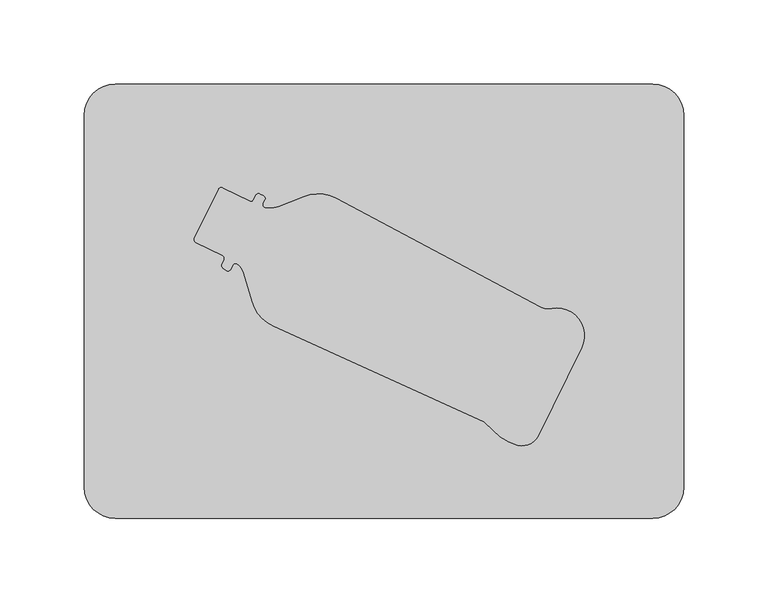
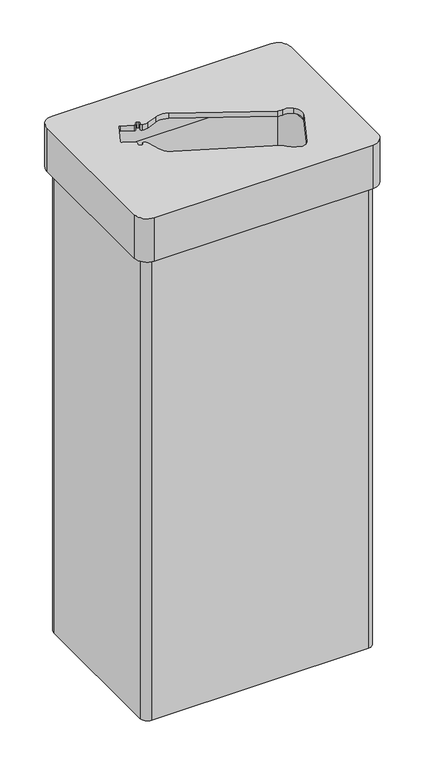
"""IFC4 building model written with IfcOpenShell, lengths in millimetres: furniture geometry."""

from ifc_helpers import new_model, si_unit, frame, origin, place, context, project, spatial, polyline, circle_curve, source, transform, mapped, element, save
from ifc_brep_helpers import plane_surface, cylinder_surface, revolved_surface, advanced_brep


def furniture_12d7f21f(model_context):
    return source(origin(), model_context, "Body", "AdvancedBrep", [
        advanced_brep(
        [(159.5, 129.0, 781.0), (-159.5, 129.0, 781.0), (-178.0, 110.5, 781.0), (-178.0, -110.5, 781.0), (-159.5, -129.0, 781.0), (159.5, -129.0, 781.0), (178.0, -110.5, 781.0), (178.0, 110.5, 781.0), (59.5843107, -71.6563973, 781.0), (-65.8931473, -14.6079938, 781.0), (-78.2521723, -0.2895037, 781.0), (-83.1803377, 16.6169973, 781.0), (-87.0044495, 22.1215762, 781.0), (-89.8301065, 21.5731394, 781.0), (-91.1059775, 18.9830206, 781.0), (-93.8036148, 18.3302183, 781.0), (-95.4113824, 19.5228809, 781.0), (-96.2339096, 21.9424259, 781.0), (-94.9243949, 24.6008441, 781.0), (-95.7469221, 27.020389, 781.0), (-111.7313977, 34.8942089, 781.0), (-112.5539249, 37.3137539, 781.0), (-98.1807647, 66.4924032, 781.0), (-95.7612197, 67.3149304, 781.0), (-79.776744, 59.4411105, 781.0), (-77.3571991, 60.2636377, 781.0), (-76.0476844, 62.9220559, 781.0), (-73.6281394, 63.744583, 781.0), (-71.5704661, 62.7309902, 781.0), (-70.7479389, 60.3114453, 781.0), (-71.8519965, 58.0701212, 781.0), (-70.5646552, 55.4956556, 781.0), (-62.5959675, 56.2532835, 781.0), (-47.4626798, 62.2155953, 781.0), (-28.5783978, 61.1438919, 781.0), (92.6808897, -3.330815, 781.0), (99.7648604, -4.4150109, 781.0), (113.5191292, -8.209037, 781.0), (117.3449783, -27.5875375, 781.0), (91.5026253, -80.049553, 781.0), (79.4158996, -85.5472068, 781.0), (64.8157204, -76.6560157, 781.0), (159.5, 110.5, 773.0), (159.5, -110.5, 773.0), (-159.5, -110.5, 773.0), (-159.5, 110.5, 773.0), (59.5843107, -71.6563973, 773.0), (64.8157204, -76.6560157, 773.0), (79.4158996, -85.5472068, 773.0), (91.5026253, -80.049553, 773.0), (117.3449783, -27.5875375, 773.0), (113.5191292, -8.209037, 773.0), (99.7648604, -4.4150109, 773.0), (92.6808897, -3.330815, 773.0), (-28.5783978, 61.1438919, 773.0), (-47.4626798, 62.2155953, 773.0), (-62.5959675, 56.2532835, 773.0), (-70.5646552, 55.4956556, 773.0), (-71.8519965, 58.0701212, 773.0), (-70.7479389, 60.3114453, 773.0), (-71.5704661, 62.7309902, 773.0), (-73.6281394, 63.744583, 773.0), (-76.0476844, 62.9220559, 773.0), (-77.3571991, 60.2636377, 773.0), (-79.776744, 59.4411105, 773.0), (-95.7612197, 67.3149304, 773.0), (-98.1807647, 66.4924032, 773.0), (-112.5539249, 37.3137539, 773.0), (-111.7313977, 34.8942089, 773.0), (-95.7469221, 27.020389, 773.0), (-94.9243949, 24.6008441, 773.0), (-96.2339096, 21.9424259, 773.0), (-95.4113824, 19.5228809, 773.0), (-93.8036148, 18.3302183, 773.0), (-91.1059775, 18.9830206, 773.0), (-89.8301065, 21.5731394, 773.0), (-87.0044495, 22.1215762, 773.0), (-83.1803377, 16.6169973, 773.0), (-78.2521723, -0.2895037, 773.0), (-65.8931473, -14.6079938, 773.0), (159.5, 129.0, 714.0), (178.0, 110.5, 714.0), (178.0, -110.5, 714.0), (159.5, -129.0, 714.0), (-159.5, -129.0, 714.0), (-178.0, -110.5, 714.0), (-178.0, 110.5, 714.0), (-159.5, 129.0, 714.0), (159.5, 110.5, 714.0), (-159.5, 110.5, 714.0), (-159.5, -110.5, 714.0), (159.5, -110.5, 714.0)],
        [
            (0, 1),
            (1, 2, circle_curve(frame((-159.5, 110.5, 781.0), z_axis=(0.0, 0.0, 1.0), x_axis=(1.0, 0.0, 0.0)), 18.5)),
            (2, 3),
            (3, 4, circle_curve(frame((-159.5, -110.5, 781.0), z_axis=(0.0, 0.0, 1.0), x_axis=(1.0, 0.0, 0.0)), 18.5)),
            (4, 5),
            (5, 6, circle_curve(frame((159.5, -110.5, 781.0), z_axis=(0.0, 0.0, 1.0), x_axis=(1.0, 0.0, 0.0)), 18.5)),
            (6, 7),
            (7, 0, circle_curve(frame((159.5, 110.5, 781.0), z_axis=(0.0, 0.0, 1.0), x_axis=(1.0, 0.0, 0.0)), 18.5)),
            (8, 9),
            (9, 10, circle_curve(frame((-56.5444017, 5.9544893, 781.0), z_axis=(0.0, 0.0, -1.0), x_axis=(1.0, 0.0, 0.0)), 22.5879338)),
            (10, 11),
            (11, 12, circle_curve(frame((-93.398379, 13.5989968, 781.0), z_axis=(0.0, 0.0, 1.0), x_axis=(1.0, 0.0, 0.0)), 10.6544214)),
            (12, 13, circle_curve(frame((-88.1691769, 20.5690908, 781.0), z_axis=(0.0, 0.0, 1.0), x_axis=(1.0, 0.0, 0.0)), 1.9408247)),
            (13, 14),
            (14, 15, circle_curve(frame((-92.7270136, 19.7815295, 781.0), z_axis=(0.0, 0.0, -1.0), x_axis=(1.0, 0.0, 0.0)), 1.8070347)),
            (15, 16),
            (16, 17, circle_curve(frame((-94.0726412, 21.3275696, 781.0), z_axis=(0.0, 0.0, -1.0), x_axis=(1.0, 0.0, 0.0)), 2.2470268)),
            (17, 18),
            (18, 19, circle_curve(frame((-96.545431, 25.399353, 781.0), z_axis=(0.0, 0.0, 1.0), x_axis=(1.0, 0.0, 0.0)), 1.8070347)),
            (19, 20),
            (20, 21, circle_curve(frame((-110.9328888, 36.515245, 781.0), z_axis=(0.0, 0.0, -1.0), x_axis=(1.0, 0.0, 0.0)), 1.8070347)),
            (21, 22),
            (22, 23, circle_curve(frame((-96.5597286, 65.6938943, 781.0), z_axis=(0.0, 0.0, -1.0), x_axis=(1.0, 0.0, 0.0)), 1.8070347)),
            (23, 24),
            (24, 25, circle_curve(frame((-78.9782351, 61.0621466, 781.0), z_axis=(0.0, 0.0, 1.0), x_axis=(1.0, 0.0, 0.0)), 1.8070347)),
            (25, 26),
            (26, 27, circle_curve(frame((-74.4266483, 62.1235469, 781.0), z_axis=(0.0, 0.0, -1.0), x_axis=(1.0, 0.0, 0.0)), 1.8070347)),
            (27, 28),
            (28, 29, circle_curve(frame((-72.368975, 61.1099542, 781.0), z_axis=(0.0, 0.0, -1.0), x_axis=(1.0, 0.0, 0.0)), 1.8070347)),
            (29, 30),
            (30, 31, circle_curve(frame((-70.2309604, 57.2716123, 781.0), z_axis=(0.0, 0.0, 1.0), x_axis=(1.0, 0.0, 0.0)), 1.8070347)),
            (31, 32, circle_curve(frame((-67.8950968, 69.7033092, 781.0), z_axis=(0.0, 0.0, 1.0), x_axis=(1.0, 0.0, 0.0)), 14.4562776)),
            (32, 33),
            (33, 34, circle_curve(frame((-39.1827904, 41.1999301, 781.0), z_axis=(0.0, 0.0, -1.0), x_axis=(1.0, 0.0, 0.0)), 22.5879338)),
            (34, 35),
            (35, 36, circle_curve(frame((97.7709982, 6.2422867, 781.0), z_axis=(0.0, 0.0, 1.0), x_axis=(1.0, 0.0, 0.0)), 10.8422082)),
            (36, 37, circle_curve(frame((102.7556536, -20.4009574, 781.0), z_axis=(0.0, 0.0, -1.0), x_axis=(1.0, 0.0, 0.0)), 16.2633123)),
            (37, 38, circle_curve(frame((102.7556536, -20.4009574, 781.0), z_axis=(0.0, 0.0, -1.0), x_axis=(1.0, 0.0, 0.0)), 16.2633123)),
            (38, 39),
            (39, 40, circle_curve(frame((82.0352719, -75.2706533, 781.0), z_axis=(0.0, 0.0, -1.0), x_axis=(1.0, 0.0, 0.0)), 10.6051244)),
            (40, 41, circle_curve(frame((86.6195994, -57.2850133, 781.0), z_axis=(0.0, 0.0, -1.0), x_axis=(1.0, 0.0, 0.0)), 29.1658169)),
            (41, 8, circle_curve(frame((31.6593098, -106.1128343, 781.0), z_axis=(0.0, 0.0, 1.0), x_axis=(1.0, 0.0, 0.0)), 44.3514569)),
            (42, 43),
            (43, 44),
            (44, 45),
            (45, 42),
            (46, 47, circle_curve(frame((31.6593098, -106.1128343, 773.0), z_axis=(0.0, 0.0, -1.0), x_axis=(1.0, 0.0, 0.0)), 44.3514569)),
            (47, 48, circle_curve(frame((86.6195994, -57.2850133, 773.0), z_axis=(0.0, 0.0, 1.0), x_axis=(1.0, 0.0, 0.0)), 29.1658169)),
            (48, 49, circle_curve(frame((82.0352719, -75.2706533, 773.0), z_axis=(0.0, 0.0, 1.0), x_axis=(1.0, 0.0, 0.0)), 10.6051244)),
            (49, 50),
            (50, 51, circle_curve(frame((102.7556536, -20.4009574, 773.0), z_axis=(0.0, 0.0, 1.0), x_axis=(1.0, 0.0, 0.0)), 16.2633123)),
            (51, 52, circle_curve(frame((102.7556536, -20.4009574, 773.0), z_axis=(0.0, 0.0, 1.0), x_axis=(1.0, 0.0, 0.0)), 16.2633123)),
            (52, 53, circle_curve(frame((97.7709982, 6.2422867, 773.0), z_axis=(0.0, 0.0, -1.0), x_axis=(1.0, 0.0, 0.0)), 10.8422082)),
            (53, 54),
            (54, 55, circle_curve(frame((-39.1827904, 41.1999301, 773.0), z_axis=(0.0, 0.0, 1.0), x_axis=(1.0, 0.0, 0.0)), 22.5879338)),
            (55, 56),
            (56, 57, circle_curve(frame((-67.8950968, 69.7033092, 773.0), z_axis=(0.0, 0.0, -1.0), x_axis=(1.0, 0.0, 0.0)), 14.4562776)),
            (57, 58, circle_curve(frame((-70.2309604, 57.2716123, 773.0), z_axis=(0.0, 0.0, -1.0), x_axis=(1.0, 0.0, 0.0)), 1.8070347)),
            (58, 59),
            (59, 60, circle_curve(frame((-72.368975, 61.1099542, 773.0), z_axis=(0.0, 0.0, 1.0), x_axis=(1.0, 0.0, 0.0)), 1.8070347)),
            (60, 61),
            (61, 62, circle_curve(frame((-74.4266483, 62.1235469, 773.0), z_axis=(0.0, 0.0, 1.0), x_axis=(1.0, 0.0, 0.0)), 1.8070347)),
            (62, 63),
            (63, 64, circle_curve(frame((-78.9782351, 61.0621466, 773.0), z_axis=(0.0, 0.0, -1.0), x_axis=(1.0, 0.0, 0.0)), 1.8070347)),
            (64, 65),
            (65, 66, circle_curve(frame((-96.5597286, 65.6938943, 773.0), z_axis=(0.0, 0.0, 1.0), x_axis=(1.0, 0.0, 0.0)), 1.8070347)),
            (66, 67),
            (67, 68, circle_curve(frame((-110.9328888, 36.515245, 773.0), z_axis=(0.0, 0.0, 1.0), x_axis=(1.0, 0.0, 0.0)), 1.8070347)),
            (68, 69),
            (69, 70, circle_curve(frame((-96.545431, 25.399353, 773.0), z_axis=(0.0, 0.0, -1.0), x_axis=(1.0, 0.0, 0.0)), 1.8070347)),
            (70, 71),
            (71, 72, circle_curve(frame((-94.0726412, 21.3275696, 773.0), z_axis=(0.0, 0.0, 1.0), x_axis=(1.0, 0.0, 0.0)), 2.2470268)),
            (72, 73),
            (73, 74, circle_curve(frame((-92.7270136, 19.7815295, 773.0), z_axis=(0.0, 0.0, 1.0), x_axis=(1.0, 0.0, 0.0)), 1.8070347)),
            (74, 75),
            (75, 76, circle_curve(frame((-88.1691769, 20.5690908, 773.0), z_axis=(0.0, 0.0, -1.0), x_axis=(1.0, 0.0, 0.0)), 1.9408247)),
            (76, 77, circle_curve(frame((-93.398379, 13.5989968, 773.0), z_axis=(0.0, 0.0, -1.0), x_axis=(1.0, 0.0, 0.0)), 10.6544214)),
            (77, 78),
            (78, 79, circle_curve(frame((-56.5444017, 5.9544893, 773.0), z_axis=(0.0, 0.0, 1.0), x_axis=(1.0, 0.0, 0.0)), 22.5879338)),
            (79, 46),
            (8, 46),
            (79, 9),
            (78, 10),
            (77, 11),
            (76, 12),
            (75, 13),
            (74, 14),
            (73, 15),
            (72, 16),
            (71, 17),
            (70, 18),
            (69, 19),
            (68, 20),
            (67, 21),
            (66, 22),
            (65, 23),
            (64, 24),
            (63, 25),
            (62, 26),
            (61, 27),
            (60, 28),
            (59, 29),
            (58, 30),
            (57, 31),
            (56, 32),
            (55, 33),
            (54, 34),
            (53, 35),
            (52, 36),
            (51, 37),
            (50, 38),
            (49, 39),
            (48, 40),
            (47, 41),
            (80, 81, circle_curve(frame((159.5, 110.5, 714.0), z_axis=(0.0, 0.0, -1.0), x_axis=(1.0, 0.0, 0.0)), 18.5)),
            (81, 82),
            (82, 83, circle_curve(frame((159.5, -110.5, 714.0), z_axis=(0.0, 0.0, -1.0), x_axis=(1.0, 0.0, 0.0)), 18.5)),
            (83, 84),
            (84, 85, circle_curve(frame((-159.5, -110.5, 714.0), z_axis=(0.0, 0.0, -1.0), x_axis=(1.0, 0.0, 0.0)), 18.5)),
            (85, 86),
            (86, 87, circle_curve(frame((-159.5, 110.5, 714.0), z_axis=(0.0, 0.0, -1.0), x_axis=(1.0, 0.0, 0.0)), 18.5)),
            (87, 80),
            (88, 89),
            (89, 90),
            (90, 91),
            (91, 88),
            (0, 80),
            (87, 1),
            (86, 2),
            (85, 3),
            (84, 4),
            (83, 5),
            (82, 6),
            (81, 7),
            (91, 43),
            (42, 88),
            (90, 44),
            (89, 45),
        ],
        [
            plane_surface(frame((-159.5, 110.5, 781.0), z_axis=(0.0, 0.0, 1.0), x_axis=(-1.0, 0.0, 0.0))),
            plane_surface(frame((-159.5, 110.5, 773.0), z_axis=(0.0, 0.0, -1.0), x_axis=(1.0, 0.0, 0.0))),
            plane_surface(frame((59.5843107, -71.6563973, 781.0), z_axis=(0.4138822819471082, 0.9103304107247294, 0.0), x_axis=(0.0, 0.0, -1.0))),
            revolved_surface(polyline([(-33.95646790000001, 5.9544893, 773.0), (-33.95646790000001, 5.9544893, 781.0)]), (-56.5444017, 5.9544893, 781.0), (0.0, 0.0, -1.0)),
            plane_surface(frame((-78.2521723, -0.2895037, 781.0), z_axis=(0.9600442129377379, 0.2798483682367282, 0.0), x_axis=(0.0, 0.0, -1.0))),
            cylinder_surface(frame((-93.398379, 13.5989968, 781.0), z_axis=(0.0, 0.0, 1.0), x_axis=(1.0, 0.0, 0.0)), 10.6544214),
            cylinder_surface(frame((-88.1691769, 20.5690908, 781.0), z_axis=(0.0, 0.0, 1.0), x_axis=(1.0, 0.0, 0.0)), 1.9408247),
            plane_surface(frame((-89.8301065, 21.5731394, 781.0), z_axis=(-0.8970696971642269, 0.4418890793283789, 0.0), x_axis=(0.0, 0.0, -1.0))),
            revolved_surface(polyline([(-90.9199789, 19.7815295, 773.0), (-90.9199789, 19.7815295, 781.0)]), (-92.7270136, 19.7815295, 781.0), (0.0, 0.0, -1.0)),
            plane_surface(frame((-93.8036148, 18.3302183, 781.0), z_axis=(0.5957833818075574, 0.8031451686724825, 0.0), x_axis=(0.0, 0.0, -1.0))),
            revolved_surface(polyline([(-91.8256144, 21.3275696, 773.0), (-91.8256144, 21.3275696, 781.0)]), (-94.0726412, 21.3275696, 781.0), (0.0, 0.0, -1.0)),
            plane_surface(frame((-96.2339096, 21.9424259, 781.0), z_axis=(0.8970696971642791, -0.4418890793282728, 0.0), x_axis=(0.0, 0.0, -1.0))),
            cylinder_surface(frame((-96.545431, 25.399353, 781.0), z_axis=(0.0, 0.0, 1.0), x_axis=(1.0, 0.0, 0.0)), 1.8070347),
            plane_surface(frame((-95.7469221, 27.020389, 781.0), z_axis=(0.44188907932840954, 0.8970696971642118, 0.0), x_axis=(0.0, 0.0, -1.0))),
            revolved_surface(polyline([(-109.1258541, 36.515245, 773.0), (-109.1258541, 36.515245, 781.0)]), (-110.9328888, 36.515245, 781.0), (0.0, 0.0, -1.0)),
            plane_surface(frame((-112.5539249, 37.3137539, 781.0), z_axis=(0.8970696971642161, -0.44188907932840077, 0.0), x_axis=(0.0, 0.0, -1.0))),
            revolved_surface(polyline([(-94.7526939, 65.6938943, 773.0), (-94.7526939, 65.6938943, 781.0)]), (-96.5597286, 65.6938943, 781.0), (0.0, 0.0, -1.0)),
            plane_surface(frame((-95.7612197, 67.3149304, 781.0), z_axis=(-0.44188907932834004, -0.897069697164246, 0.0), x_axis=(0.0, 0.0, -1.0))),
            cylinder_surface(frame((-78.9782351, 61.0621466, 781.0), z_axis=(0.0, 0.0, 1.0), x_axis=(1.0, 0.0, 0.0)), 1.8070347),
            plane_surface(frame((-77.3571991, 60.2636377, 781.0), z_axis=(0.8970696971641466, -0.44188907932854193, 0.0), x_axis=(0.0, 0.0, -1.0))),
            revolved_surface(polyline([(-72.6196136, 62.1235469, 773.0), (-72.6196136, 62.1235469, 781.0)]), (-74.4266483, 62.1235469, 781.0), (0.0, 0.0, -1.0)),
            plane_surface(frame((-73.6281394, 63.744583, 781.0), z_axis=(-0.4418890793284627, -0.8970696971641856, 0.0), x_axis=(0.0, 0.0, -1.0))),
            revolved_surface(polyline([(-70.5619403, 61.1099542, 773.0), (-70.5619403, 61.1099542, 781.0)]), (-72.368975, 61.1099542, 781.0), (0.0, 0.0, -1.0)),
            plane_surface(frame((-70.7479389, 60.3114453, 781.0), z_axis=(-0.8970696971640728, 0.4418890793286916, 0.0), x_axis=(0.0, 0.0, -1.0))),
            cylinder_surface(frame((-70.2309604, 57.2716123, 781.0), z_axis=(0.0, 0.0, 1.0), x_axis=(1.0, 0.0, 0.0)), 1.8070347),
            cylinder_surface(frame((-67.8950968, 69.7033092, 781.0), z_axis=(0.0, 0.0, 1.0), x_axis=(1.0, 0.0, 0.0)), 14.4562776),
            plane_surface(frame((-62.5959675, 56.2532835, 781.0), z_axis=(0.36656250054193773, -0.9303934292526157, 0.0), x_axis=(0.0, 0.0, -1.0))),
            revolved_surface(polyline([(-16.594856600000004, 41.1999301, 773.0), (-16.594856600000004, 41.1999301, 781.0)]), (-39.1827904, 41.1999301, 781.0), (0.0, 0.0, -1.0)),
            plane_surface(frame((-28.5783978, 61.1438919, 781.0), z_axis=(-0.46947156278589525, -0.8829475928589245, 0.0), x_axis=(0.0, 0.0, -1.0))),
            cylinder_surface(frame((97.7709982, 6.2422867, 781.0), z_axis=(0.0, 0.0, 1.0), x_axis=(1.0, 0.0, 0.0)), 10.8422082),
            revolved_surface(polyline([(119.0189659, -20.4009574, 773.0), (119.0189659, -20.4009574, 781.0)]), (102.7556536, -20.4009574, 781.0), (0.0, 0.0, -1.0)),
            plane_surface(frame((117.3449783, -27.5875375, 781.0), z_axis=(-0.8970696971642149, 0.4418890793284032, 0.0), x_axis=(0.0, 0.0, -1.0))),
            revolved_surface(polyline([(92.64039629999999, -75.2706533, 773.0), (92.64039629999999, -75.2706533, 781.0)]), (82.0352719, -75.2706533, 781.0), (0.0, 0.0, -1.0)),
            revolved_surface(polyline([(115.7854163, -57.2850133, 773.0), (115.7854163, -57.2850133, 781.0)]), (86.6195994, -57.2850133, 781.0), (0.0, 0.0, -1.0)),
            cylinder_surface(frame((31.6593098, -106.1128343, 781.0), z_axis=(0.0, 0.0, 1.0), x_axis=(1.0, 0.0, 0.0)), 44.3514569),
            plane_surface(frame((-159.5, 129.0, 714.0), z_axis=(0.0, 0.0, -1.0), x_axis=(1.0, 0.0, 0.0))),
            plane_surface(frame((159.5, 129.0, 781.0), z_axis=(0.0, 1.0, 0.0), x_axis=(0.0, 0.0, -1.0))),
            cylinder_surface(frame((-159.5, 110.5, 714.0), z_axis=(0.0, 0.0, 1.0), x_axis=(1.0, 0.0, 0.0)), 18.5),
            plane_surface(frame((-178.0, 110.5, 781.0), z_axis=(-1.0, 0.0, 0.0), x_axis=(0.0, 0.0, -1.0))),
            cylinder_surface(frame((-159.5, -110.5, 714.0), z_axis=(0.0, 0.0, 1.0), x_axis=(1.0, 0.0, 0.0)), 18.5),
            plane_surface(frame((-159.5, -129.0, 781.0), z_axis=(0.0, -1.0, 0.0), x_axis=(0.0, 0.0, -1.0))),
            cylinder_surface(frame((159.5, -110.5, 714.0), z_axis=(0.0, 0.0, 1.0), x_axis=(1.0, 0.0, 0.0)), 18.5),
            plane_surface(frame((178.0, -110.5, 781.0), z_axis=(1.0, 0.0, 0.0), x_axis=(0.0, 0.0, -1.0))),
            cylinder_surface(frame((159.5, 110.5, 714.0), z_axis=(0.0, 0.0, 1.0), x_axis=(1.0, 0.0, 0.0)), 18.5),
            plane_surface(frame((159.5, 110.5, 781.0), z_axis=(-1.0, 0.0, 0.0), x_axis=(0.0, 0.0, -1.0))),
            plane_surface(frame((159.5, -110.5, 781.0), z_axis=(0.0, 1.0, 0.0), x_axis=(0.0, 0.0, -1.0))),
            plane_surface(frame((-159.5, -110.5, 781.0), z_axis=(1.0, 0.0, 0.0), x_axis=(0.0, 0.0, -1.0))),
            plane_surface(frame((-159.5, 110.5, 781.0), z_axis=(0.0, -1.0, 0.0), x_axis=(0.0, 0.0, -1.0))),
        ],
        [
            (0, [[1, 2, 3, 4, 5, 6, 7, 8], [9, 10, 11, 12, 13, 14, 15, 16, 17, 18, 19, 20, 21, 22, 23, 24, 25, 26, 27, 28, 29, 30, 31, 32, 33, 34, 35, 36, 37, 38, 39, 40, 41, 42]]),
            (1, [[43, 44, 45, 46], [47, 48, 49, 50, 51, 52, 53, 54, 55, 56, 57, 58, 59, 60, 61, 62, 63, 64, 65, 66, 67, 68, 69, 70, 71, 72, 73, 74, 75, 76, 77, 78, 79, 80]]),
            (2, [[-9, 81, -80, 82]]),
            (3, [[-10, -82, -79, 83]]),
            (4, [[-11, -83, -78, 84]]),
            (5, [[-12, -84, -77, 85]]),
            (6, [[-13, -85, -76, 86]]),
            (7, [[-14, -86, -75, 87]]),
            (8, [[-15, -87, -74, 88]]),
            (9, [[-16, -88, -73, 89]]),
            (10, [[-17, -89, -72, 90]]),
            (11, [[-18, -90, -71, 91]]),
            (12, [[-19, -91, -70, 92]]),
            (13, [[-20, -92, -69, 93]]),
            (14, [[-21, -93, -68, 94]]),
            (15, [[-22, -94, -67, 95]]),
            (16, [[-23, -95, -66, 96]]),
            (17, [[-24, -96, -65, 97]]),
            (18, [[-25, -97, -64, 98]]),
            (19, [[-26, -98, -63, 99]]),
            (20, [[-27, -99, -62, 100]]),
            (21, [[-28, -100, -61, 101]]),
            (22, [[-29, -101, -60, 102]]),
            (23, [[-30, -102, -59, 103]]),
            (24, [[-31, -103, -58, 104]]),
            (25, [[-32, -104, -57, 105]]),
            (26, [[-33, -105, -56, 106]]),
            (27, [[-34, -106, -55, 107]]),
            (28, [[-35, -107, -54, 108]]),
            (29, [[-36, -108, -53, 109]]),
            (30, [[-37, -109, -52, 110]]),
            (30, [[-38, -110, -51, 111]]),
            (31, [[-39, -111, -50, 112]]),
            (32, [[-40, -112, -49, 113]]),
            (33, [[-41, -113, -48, 114]]),
            (34, [[-42, -114, -47, -81]]),
            (35, [[115, 116, 117, 118, 119, 120, 121, 122], [123, 124, 125, 126]]),
            (36, [[-1, 127, -122, 128]]),
            (37, [[-2, -128, -121, 129]]),
            (38, [[-3, -129, -120, 130]]),
            (39, [[-4, -130, -119, 131]]),
            (40, [[-5, -131, -118, 132]]),
            (41, [[-6, -132, -117, 133]]),
            (42, [[-7, -133, -116, 134]]),
            (43, [[-8, -134, -115, -127]]),
            (44, [[-126, 135, -43, 136]]),
            (45, [[-125, 137, -44, -135]]),
            (46, [[-124, 138, -45, -137]]),
            (47, [[-123, -136, -46, -138]]),
        ],
    ),
        advanced_brep(
        [(159.5, -110.5, 8.0), (159.5, 110.5, 8.0), (-159.5, 110.5, 8.0), (-159.5, -110.5, 8.0), (158.25, 119.75, 0.0), (168.75, 109.25, 0.0), (168.75, -109.25, 0.0), (158.25, -119.75, 0.0), (-158.25, -119.75, 0.0), (-168.75, -109.25, 0.0), (-168.75, 109.25, 0.0), (-158.25, 119.75, 0.0), (158.25, 119.75, 714.0), (-158.25, 119.75, 714.0), (-168.75, 109.25, 714.0), (-168.75, -109.25, 714.0), (-158.25, -119.75, 714.0), (158.25, -119.75, 714.0), (168.75, -109.25, 714.0), (168.75, 109.25, 714.0), (159.5, 110.5, 714.0), (159.5, -110.5, 714.0), (-159.5, -110.5, 714.0), (-159.5, 110.5, 714.0)],
        [
            (0, 1),
            (1, 2),
            (2, 3),
            (3, 0),
            (4, 5, circle_curve(frame((158.25, 109.25, 0.0), z_axis=(0.0, 0.0, -1.0), x_axis=(1.0, 0.0, 0.0)), 10.5)),
            (5, 6),
            (6, 7, circle_curve(frame((158.25, -109.25, 0.0), z_axis=(0.0, 0.0, -1.0), x_axis=(1.0, 0.0, 0.0)), 10.5)),
            (7, 8),
            (8, 9, circle_curve(frame((-158.25, -109.25, 0.0), z_axis=(0.0, 0.0, -1.0), x_axis=(1.0, 0.0, 0.0)), 10.5)),
            (9, 10),
            (10, 11, circle_curve(frame((-158.25, 109.25, 0.0), z_axis=(0.0, 0.0, -1.0), x_axis=(1.0, 0.0, 0.0)), 10.5)),
            (11, 4),
            (12, 13),
            (13, 14, circle_curve(frame((-158.25, 109.25, 714.0), z_axis=(0.0, 0.0, 1.0), x_axis=(1.0, 0.0, 0.0)), 10.5)),
            (14, 15),
            (15, 16, circle_curve(frame((-158.25, -109.25, 714.0), z_axis=(0.0, 0.0, 1.0), x_axis=(1.0, 0.0, 0.0)), 10.5)),
            (16, 17),
            (17, 18, circle_curve(frame((158.25, -109.25, 714.0), z_axis=(0.0, 0.0, 1.0), x_axis=(1.0, 0.0, 0.0)), 10.5)),
            (18, 19),
            (19, 12, circle_curve(frame((158.25, 109.25, 714.0), z_axis=(0.0, 0.0, 1.0), x_axis=(1.0, 0.0, 0.0)), 10.5)),
            (20, 21),
            (21, 22),
            (22, 23),
            (23, 20),
            (20, 1),
            (0, 21),
            (3, 22),
            (2, 23),
            (12, 4),
            (11, 13),
            (10, 14),
            (9, 15),
            (8, 16),
            (7, 17),
            (6, 18),
            (5, 19),
        ],
        [
            plane_surface(frame((-159.5, 110.5, 8.0), z_axis=(0.0, 0.0, 1.0), x_axis=(-1.0, 0.0, 0.0))),
            plane_surface(frame((-159.5, 110.5, 0.0), z_axis=(0.0, 0.0, -1.0), x_axis=(1.0, 0.0, 0.0))),
            plane_surface(frame((159.5, 110.5, 714.0), z_axis=(0.0, 0.0, 1.0), x_axis=(0.0, -1.0, 0.0))),
            plane_surface(frame((159.5, 110.5, 714.0), z_axis=(-1.0, 0.0, 0.0), x_axis=(0.0, 0.0, -1.0))),
            plane_surface(frame((159.5, -110.5, 714.0), z_axis=(0.0, 1.0, 0.0), x_axis=(0.0, 0.0, -1.0))),
            plane_surface(frame((-159.5, -110.5, 714.0), z_axis=(1.0, 0.0, 0.0), x_axis=(0.0, 0.0, -1.0))),
            plane_surface(frame((-159.5, 110.5, 714.0), z_axis=(0.0, -1.0, 0.0), x_axis=(0.0, 0.0, -1.0))),
            plane_surface(frame((158.25, 119.75, 714.0), z_axis=(0.0, 1.0, 0.0), x_axis=(0.0, 0.0, -1.0))),
            cylinder_surface(frame((-158.25, 109.25, 0.0), z_axis=(0.0, 0.0, 1.0), x_axis=(1.0, 0.0, 0.0)), 10.5),
            plane_surface(frame((-168.75, 109.25, 714.0), z_axis=(-1.0, 0.0, 0.0), x_axis=(0.0, 0.0, -1.0))),
            cylinder_surface(frame((-158.25, -109.25, 0.0), z_axis=(0.0, 0.0, 1.0), x_axis=(1.0, 0.0, 0.0)), 10.5),
            plane_surface(frame((-158.25, -119.75, 714.0), z_axis=(0.0, -1.0, 0.0), x_axis=(0.0, 0.0, -1.0))),
            cylinder_surface(frame((158.25, -109.25, 0.0), z_axis=(0.0, 0.0, 1.0), x_axis=(1.0, 0.0, 0.0)), 10.5),
            plane_surface(frame((168.75, -109.25, 714.0), z_axis=(1.0, 0.0, 0.0), x_axis=(0.0, 0.0, -1.0))),
            cylinder_surface(frame((158.25, 109.25, 0.0), z_axis=(0.0, 0.0, 1.0), x_axis=(1.0, 0.0, 0.0)), 10.5),
        ],
        [
            (0, [[1, 2, 3, 4]]),
            (1, [[5, 6, 7, 8, 9, 10, 11, 12]]),
            (2, [[13, 14, 15, 16, 17, 18, 19, 20], [21, 22, 23, 24]]),
            (3, [[-21, 25, -1, 26]]),
            (4, [[-22, -26, -4, 27]]),
            (5, [[-23, -27, -3, 28]]),
            (6, [[-24, -28, -2, -25]]),
            (7, [[-13, 29, -12, 30]]),
            (8, [[-14, -30, -11, 31]]),
            (9, [[-15, -31, -10, 32]]),
            (10, [[-16, -32, -9, 33]]),
            (11, [[-17, -33, -8, 34]]),
            (12, [[-18, -34, -7, 35]]),
            (13, [[-19, -35, -6, 36]]),
            (14, [[-20, -36, -5, -29]]),
        ],
    ),
    ])


if __name__ == "__main__":
    model = new_model("IFC4")
    model_context = context("Model", 3, world=origin())
    ifc_project = project(units=[si_unit("LENGTHUNIT", "METRE", prefix="MILLI")], contexts=[model_context])
    site = spatial("IfcSite", under=ifc_project)
    building = spatial("IfcBuilding", under=site)
    placement = place(None, origin())
    furniture_shape = furniture_12d7f21f(model_context)
    element("IfcFurniture", 1, at=placement, inside=building, context=model_context, shape_type="MappedRepresentation", body=[
        mapped(furniture_shape, transform((0.0, 0.0, 0.0), x_axis=(1.0, 0.0, 0.0), y_axis=(0.0, 1.0, 0.0), z_axis=(0.0, 0.0, 1.0))),
    ])
    save(model, "model.ifc")
